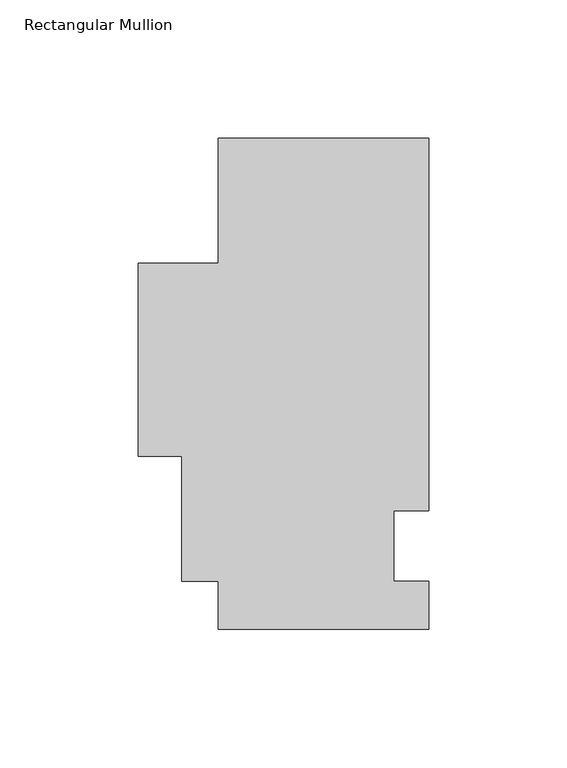
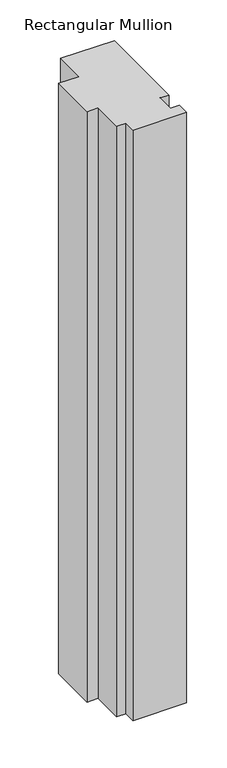
"""IFC4 building model written with IfcOpenShell, lengths in millimetres: member geometry, Rectangular Mullion."""

from ifc_helpers import new_model, si_unit, frame, origin, place, context, project, spatial, polyline, outline, extrude, source, transform, mapped, element, save


def rectangular_mullion_1bb647b3(model_context):
    return source(origin(), model_context, "Body", "SweptSolid", [
        extrude(outline(polyline([(42.4344027, 147.6375), (42.4344027, 12.7), (29.7326322, 12.7), (29.7326322, -12.7), (42.4344027, -12.7), (42.4344027, -30.1625), (-33.7655973, -30.1625), (-33.7655973, -12.7), (-46.8986883, -12.7), (-46.8986883, 32.5074507), (-62.6915939, 32.5074507), (-62.6915939, 102.3574507), (-33.7655973, 102.3574507), (-33.7655973, 147.6375), (42.4344027, 147.6375)])), frame((0.0, 0.0, -887.8405973), z_axis=(0.0, 0.0, 1.0), x_axis=(1.0, 0.0, 0.0)), (0.0, 0.0, 1.0), 887.8405973),
    ])


if __name__ == "__main__":
    model = new_model("IFC4")
    model_context = context("Model", 3, world=origin())
    ifc_project = project(units=[si_unit("LENGTHUNIT", "METRE", prefix="MILLI")], contexts=[model_context])
    site = spatial("IfcSite", under=ifc_project)
    building = spatial("IfcBuilding", under=site)
    placement = place(None, origin())
    rectangular_mullion_shape = rectangular_mullion_1bb647b3(model_context)
    element("IfcMember", 1, ObjectType="Rectangular Mullion", at=placement, inside=building, context=model_context, shape_type="MappedRepresentation", body=[
        mapped(rectangular_mullion_shape, transform((0.0, 0.0, 0.0), x_axis=(1.0, 0.0, 0.0), y_axis=(0.0, 1.0, 0.0), z_axis=(0.0, 0.0, 1.0))),
    ])
    save(model, "model.ifc")
